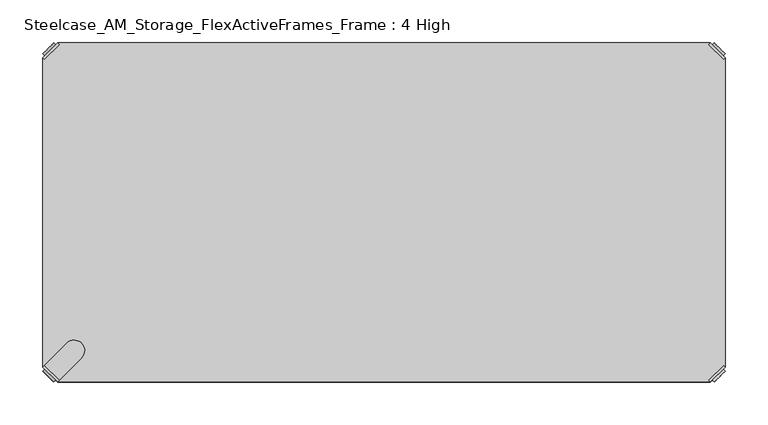
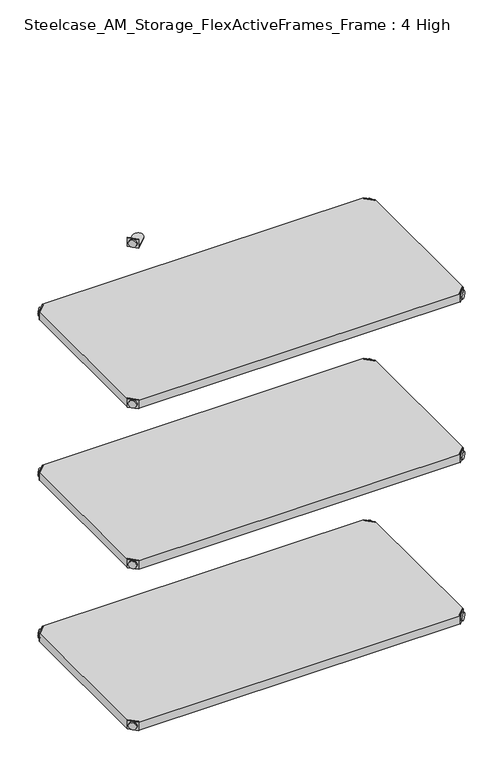
"""IFC4 building model written with IfcOpenShell, lengths in millimetres: furniture geometry, Steelcase_AM_Storage_FlexActiveFrames_Frame : 4 High."""

from ifc_helpers import new_model, si_unit, frame, origin, place, context, project, spatial, polyline, circle_curve, outline, extrude, source, transform, mapped, element, save
from ifc_brep_helpers import plane_surface, cylinder_surface, advanced_brep


def steelcase_am_storage_flexactiveframes_frame_4_high_68e53432(model_context):
    return source(origin(), model_context, "Body", "SolidModel", [
        advanced_brep(
        [(2.54, -380.2870969, 1324.61), (19.7629031, -397.51, 1324.61), (21.5589544, -395.7139488, 1324.61), (4.3360512, -378.4910456, 1324.61), (2.54, -380.2870969, 1303.274), (19.7629031, -397.51, 1303.274), (4.8652723, -382.6123691, 1314.45), (17.4376309, -395.1847277, 1314.45), (30.2920522, -352.5350447, 1304.29), (4.3360512, -378.4910456, 1304.29), (21.5589544, -395.7139488, 1304.29), (47.5149553, -369.7579478, 1304.29), (30.2920522, -352.5350447, 1303.274), (47.5149553, -369.7579478, 1303.274), (15.1227513, -397.4996073, 1314.45), (2.5503927, -384.9272487, 1314.45)],
        [
            (0, 1),
            (1, 2),
            (2, 3),
            (3, 0),
            (0, 4),
            (4, 5),
            (5, 1),
            (6, 7, circle_curve(frame((11.1514516, -388.8985484, 1314.45), z_axis=(0.7071067811865446, 0.7071067811865505, 0.0), x_axis=(-0.7071067811865505, 0.7071067811865446, 0.0)), 8.89)),
            (7, 6, circle_curve(frame((11.1514516, -388.8985484, 1314.45), z_axis=(0.7071067811865446, 0.7071067811865505, 0.0), x_axis=(-0.7071067811865505, 0.7071067811865446, 0.0)), 8.89)),
            (8, 9),
            (9, 10),
            (10, 11),
            (11, 8, circle_curve(frame((38.9035037, -361.1464963, 1304.29), z_axis=(0.0, 0.0, 1.0), x_axis=(1.0, 0.0, 0.0)), 12.1784316)),
            (12, 13, circle_curve(frame((38.9035037, -361.1464963, 1303.274), z_axis=(0.0, 0.0, -1.0), x_axis=(1.0, 0.0, 0.0)), 12.1784316)),
            (13, 5),
            (4, 12),
            (14, 15, circle_curve(frame((8.836572, -391.213428, 1314.45), z_axis=(-0.7071067811865446, -0.7071067811865505, 0.0), x_axis=(-0.7071067811865505, 0.7071067811865446, 0.0)), 8.89)),
            (15, 14, circle_curve(frame((8.836572, -391.213428, 1314.45), z_axis=(-0.7071067811865446, -0.7071067811865505, 0.0), x_axis=(-0.7071067811865505, 0.7071067811865446, 0.0)), 8.89)),
            (15, 6),
            (7, 14),
            (2, 10),
            (9, 3),
            (11, 13),
            (12, 8),
        ],
        [
            plane_surface(frame((-19.6579872, -402.485084, 1324.61), z_axis=(0.0, 0.0, 1.0000000000000002), x_axis=(0.7071067811865436, 0.7071067811865516, 0.0))),
            plane_surface(frame((19.7629031, -397.51, 1324.61), z_axis=(-0.7071067811865447, -0.7071067811865503, 0.0), x_axis=(0.0, 0.0, -1.0))),
            plane_surface(frame((51.0819353, -361.1464963, 1304.29), z_axis=(0.0, 0.0, 1.0), x_axis=(0.0, -1.0, 0.0))),
            plane_surface(frame((51.0819353, -361.1464963, 1303.274), z_axis=(0.0, 0.0, -1.0), x_axis=(0.0, 1.0, 0.0))),
            plane_surface(frame((2.5503927, -384.9272487, 1314.45), z_axis=(-0.7071067811865446, -0.7071067811865505, 0.0), x_axis=(0.0, 0.0, 1.0))),
            cylinder_surface(frame((11.1514516, -388.8985484, 1314.45), z_axis=(-0.7071067811865446, -0.7071067811865505, 0.0), x_axis=(-0.7071067811865505, 0.7071067811865446, 0.0)), 8.89),
            plane_surface(frame((4.3360512, -378.4910456, 1324.61), z_axis=(0.7071067811865447, 0.7071067811865503, 0.0), x_axis=(0.0, 0.0, -1.0))),
            cylinder_surface(frame((38.9035037, -361.1464963, 1303.274), z_axis=(0.0, 0.0, 1.0), x_axis=(1.0, 0.0, 0.0)), 12.1784316),
            plane_surface(frame((2.54, -380.2870969, 1324.61), z_axis=(-0.7071067811865516, 0.7071067811865436, 0.0), x_axis=(0.0, 0.0, -1.0))),
            plane_surface(frame((21.5589544, -395.7139488, 1324.61), z_axis=(0.7071067811865513, -0.7071067811865437, 0.0), x_axis=(0.0, 0.0, -1.0))),
        ],
        [
            (0, [[1, 2, 3, 4]]),
            (1, [[5, 6, 7, -1], [8, 9]]),
            (2, [[10, 11, 12, 13]]),
            (3, [[14, 15, -6, 16]]),
            (4, [[17, 18]]),
            (5, [[19, -9, 20, -18]]),
            (5, [[-20, -8, -19, -17]]),
            (6, [[21, -11, 22, -3]]),
            (7, [[23, -14, 24, -13]]),
            (8, [[-22, -10, -24, -16, -5, -4]]),
            (9, [[-7, -15, -23, -12, -21, -2]]),
        ],
    ),
        advanced_brep(
        [(797.56, -380.2870969, 1324.61), (795.7639488, -378.4910456, 1324.61), (778.5410456, -395.7139488, 1324.61), (780.3370969, -397.51, 1324.61), (780.3370969, -397.51, 1303.274), (797.56, -380.2870969, 1303.274), (795.2347277, -382.6123691, 1314.45), (782.6623691, -395.1847277, 1314.45), (769.8079478, -352.5350447, 1304.29), (752.5850447, -369.7579478, 1304.29), (778.5410456, -395.7139488, 1304.29), (795.7639488, -378.4910456, 1304.29), (769.8079478, -352.5350447, 1303.274), (752.5850447, -369.7579478, 1303.274), (784.9772487, -397.4996073, 1314.45), (797.5496073, -384.9272487, 1314.45)],
        [
            (0, 1),
            (1, 2),
            (2, 3),
            (3, 0),
            (3, 4),
            (4, 5),
            (5, 0),
            (6, 7, circle_curve(frame((788.9485484, -388.8985484, 1314.45), z_axis=(-0.7071067811865446, 0.7071067811865505, 0.0), x_axis=(0.7071067811865505, 0.7071067811865446, 0.0)), 8.89)),
            (7, 6, circle_curve(frame((788.9485484, -388.8985484, 1314.45), z_axis=(-0.7071067811865446, 0.7071067811865505, 0.0), x_axis=(0.7071067811865505, 0.7071067811865446, 0.0)), 8.89)),
            (8, 9, circle_curve(frame((761.1964963, -361.1464963, 1304.29), z_axis=(0.0, 0.0, 1.0), x_axis=(-1.0, 0.0, 0.0)), 12.1784316)),
            (9, 10),
            (10, 11),
            (11, 8),
            (12, 5),
            (4, 13),
            (13, 12, circle_curve(frame((761.1964963, -361.1464963, 1303.274), z_axis=(0.0, 0.0, -1.0), x_axis=(-1.0, 0.0, 0.0)), 12.1784316)),
            (14, 15, circle_curve(frame((791.263428, -391.213428, 1314.45), z_axis=(0.7071067811865446, -0.7071067811865505, 0.0), x_axis=(0.7071067811865505, 0.7071067811865446, 0.0)), 8.89)),
            (15, 14, circle_curve(frame((791.263428, -391.213428, 1314.45), z_axis=(0.7071067811865446, -0.7071067811865505, 0.0), x_axis=(0.7071067811865505, 0.7071067811865446, 0.0)), 8.89)),
            (14, 7),
            (6, 15),
            (1, 11),
            (10, 2),
            (8, 12),
            (13, 9),
        ],
        [
            plane_surface(frame((819.7579872, -402.485084, 1324.61), z_axis=(0.0, 0.0, 1.0000000000000002), x_axis=(-0.7071067811865436, 0.7071067811865516, 0.0))),
            plane_surface(frame((780.3370969, -397.51, 1324.61), z_axis=(0.7071067811865447, -0.7071067811865503, 0.0), x_axis=(0.0, 0.0, -1.0))),
            plane_surface(frame((749.0180647, -361.1464963, 1304.29), z_axis=(0.0, 0.0, 1.0), x_axis=(0.0, -1.0, 0.0))),
            plane_surface(frame((749.0180647, -361.1464963, 1303.274), z_axis=(0.0, 0.0, -1.0), x_axis=(0.0, 1.0, 0.0))),
            plane_surface(frame((797.5496073, -384.9272487, 1314.45), z_axis=(0.7071067811865446, -0.7071067811865505, 0.0), x_axis=(0.0, 0.0, 1.0))),
            cylinder_surface(frame((788.9485484, -388.8985484, 1314.45), z_axis=(0.7071067811865446, -0.7071067811865505, 0.0), x_axis=(0.7071067811865505, 0.7071067811865446, 0.0)), 8.89),
            plane_surface(frame((795.7639488, -378.4910456, 1324.61), z_axis=(-0.7071067811865447, 0.7071067811865503, 0.0), x_axis=(0.0, 0.0, -1.0))),
            cylinder_surface(frame((761.1964963, -361.1464963, 1303.274), z_axis=(0.0, 0.0, 1.0), x_axis=(-1.0, 0.0, 0.0)), 12.1784316),
            plane_surface(frame((797.56, -380.2870969, 1324.61), z_axis=(0.7071067811865516, 0.7071067811865436, 0.0), x_axis=(0.0, 0.0, -1.0))),
            plane_surface(frame((778.5410456, -395.7139488, 1324.61), z_axis=(-0.7071067811865513, -0.7071067811865437, 0.0), x_axis=(0.0, 0.0, -1.0))),
        ],
        [
            (0, [[1, 2, 3, 4]]),
            (1, [[-4, 5, 6, 7], [8, 9]]),
            (2, [[10, 11, 12, 13]]),
            (3, [[14, -6, 15, 16]]),
            (4, [[17, 18]]),
            (5, [[-17, 19, -8, 20]]),
            (5, [[-18, -20, -9, -19]]),
            (6, [[-2, 21, -12, 22]]),
            (7, [[-10, 23, -16, 24]]),
            (8, [[-1, -7, -14, -23, -13, -21]]),
            (9, [[-3, -22, -11, -24, -15, -5]]),
        ],
    ),
        advanced_brep(
        [(797.56, -19.7629031, 1324.61), (780.3370969, -2.54, 1324.61), (778.5410456, -4.3360512, 1324.61), (795.7639488, -21.5589544, 1324.61), (797.56, -19.7629031, 1303.274), (780.3370969, -2.54, 1303.274), (795.2347277, -17.4376309, 1314.45), (782.6623691, -4.8652723, 1314.45), (769.8079478, -47.5149553, 1304.29), (795.7639488, -21.5589544, 1304.29), (778.5410456, -4.3360512, 1304.29), (752.5850447, -30.2920522, 1304.29), (769.8079478, -47.5149553, 1303.274), (752.5850447, -30.2920522, 1303.274), (784.9772487, -2.5503927, 1314.45), (797.5496073, -15.1227513, 1314.45)],
        [
            (0, 1),
            (1, 2),
            (2, 3),
            (3, 0),
            (0, 4),
            (4, 5),
            (5, 1),
            (6, 7, circle_curve(frame((788.9485484, -11.1514516, 1314.45), z_axis=(-0.7071067811865469, -0.7071067811865481, 0.0), x_axis=(0.7071067811865481, -0.7071067811865469, 0.0)), 8.89)),
            (7, 6, circle_curve(frame((788.9485484, -11.1514516, 1314.45), z_axis=(-0.7071067811865469, -0.7071067811865481, 0.0), x_axis=(0.7071067811865481, -0.7071067811865469, 0.0)), 8.89)),
            (8, 9),
            (9, 10),
            (10, 11),
            (11, 8, circle_curve(frame((761.1964963, -38.9035037, 1304.29), z_axis=(0.0, 0.0, 1.0), x_axis=(-1.0, 0.0, 0.0)), 12.1784316)),
            (12, 13, circle_curve(frame((761.1964963, -38.9035037, 1303.274), z_axis=(0.0, 0.0, -1.0), x_axis=(-1.0, 0.0, 0.0)), 12.1784316)),
            (13, 5),
            (4, 12),
            (14, 15, circle_curve(frame((791.263428, -8.836572, 1314.45), z_axis=(0.7071067811865469, 0.7071067811865481, 0.0), x_axis=(0.7071067811865481, -0.7071067811865469, 0.0)), 8.89)),
            (15, 14, circle_curve(frame((791.263428, -8.836572, 1314.45), z_axis=(0.7071067811865469, 0.7071067811865481, 0.0), x_axis=(0.7071067811865481, -0.7071067811865469, 0.0)), 8.89)),
            (15, 6),
            (7, 14),
            (2, 10),
            (9, 3),
            (11, 13),
            (12, 8),
        ],
        [
            plane_surface(frame((819.7579872, 2.435084, 1324.61), z_axis=(0.0, 0.0, 1.0000000000000002), x_axis=(-0.7071067811865459, -0.7071067811865492, 0.0))),
            plane_surface(frame((780.3370969, -2.54, 1324.61), z_axis=(0.707106781186547, 0.707106781186548, 0.0), x_axis=(0.0, 0.0, -1.0))),
            plane_surface(frame((749.0180647, -38.9035037, 1304.29), z_axis=(0.0, 0.0, 1.0), x_axis=(0.0, 1.0, 0.0))),
            plane_surface(frame((749.0180647, -38.9035037, 1303.274), z_axis=(0.0, 0.0, -1.0), x_axis=(0.0, -1.0, 0.0))),
            plane_surface(frame((797.5496073, -15.1227513, 1314.45), z_axis=(0.7071067811865469, 0.7071067811865481, 0.0), x_axis=(0.0, 0.0, 1.0))),
            cylinder_surface(frame((788.9485484, -11.1514516, 1314.45), z_axis=(0.7071067811865469, 0.7071067811865481, 0.0), x_axis=(0.7071067811865481, -0.7071067811865469, 0.0)), 8.89),
            plane_surface(frame((795.7639488, -21.5589544, 1324.61), z_axis=(-0.707106781186547, -0.707106781186548, 0.0), x_axis=(0.0, 0.0, -1.0))),
            cylinder_surface(frame((761.1964963, -38.9035037, 1303.274), z_axis=(0.0, 0.0, 1.0), x_axis=(-1.0, 0.0, 0.0)), 12.1784316),
            plane_surface(frame((797.56, -19.7629031, 1324.61), z_axis=(0.7071067811865492, -0.7071067811865459, 0.0), x_axis=(0.0, 0.0, -1.0))),
            plane_surface(frame((778.5410456, -4.3360512, 1324.61), z_axis=(-0.707106781186549, 0.707106781186546, 0.0), x_axis=(0.0, 0.0, -1.0))),
        ],
        [
            (0, [[1, 2, 3, 4]]),
            (1, [[5, 6, 7, -1], [8, 9]]),
            (2, [[10, 11, 12, 13]]),
            (3, [[14, 15, -6, 16]]),
            (4, [[17, 18]]),
            (5, [[19, -9, 20, -18]]),
            (5, [[-20, -8, -19, -17]]),
            (6, [[21, -11, 22, -3]]),
            (7, [[23, -14, 24, -13]]),
            (8, [[-22, -10, -24, -16, -5, -4]]),
            (9, [[-7, -15, -23, -12, -21, -2]]),
        ],
    ),
        advanced_brep(
        [(2.54, -19.7629031, 1324.61), (4.3360512, -21.5589544, 1324.61), (21.5589544, -4.3360512, 1324.61), (19.7629031, -2.54, 1324.61), (19.7629031, -2.54, 1303.274), (2.54, -19.7629031, 1303.274), (4.8652723, -17.4376309, 1314.45), (17.4376309, -4.8652723, 1314.45), (30.2920522, -47.5149553, 1304.29), (47.5149553, -30.2920522, 1304.29), (21.5589544, -4.3360512, 1304.29), (4.3360512, -21.5589544, 1304.29), (30.2920522, -47.5149553, 1303.274), (47.5149553, -30.2920522, 1303.274), (15.1227513, -2.5503927, 1314.45), (2.5503927, -15.1227513, 1314.45)],
        [
            (0, 1),
            (1, 2),
            (2, 3),
            (3, 0),
            (3, 4),
            (4, 5),
            (5, 0),
            (6, 7, circle_curve(frame((11.1514516, -11.1514516, 1314.45), z_axis=(0.7071067811865469, -0.7071067811865481, 0.0), x_axis=(-0.7071067811865481, -0.7071067811865469, 0.0)), 8.89)),
            (7, 6, circle_curve(frame((11.1514516, -11.1514516, 1314.45), z_axis=(0.7071067811865469, -0.7071067811865481, 0.0), x_axis=(-0.7071067811865481, -0.7071067811865469, 0.0)), 8.89)),
            (8, 9, circle_curve(frame((38.9035037, -38.9035037, 1304.29), z_axis=(0.0, 0.0, 1.0), x_axis=(1.0, 0.0, 0.0)), 12.1784316)),
            (9, 10),
            (10, 11),
            (11, 8),
            (12, 5),
            (4, 13),
            (13, 12, circle_curve(frame((38.9035037, -38.9035037, 1303.274), z_axis=(0.0, 0.0, -1.0), x_axis=(1.0, 0.0, 0.0)), 12.1784316)),
            (14, 15, circle_curve(frame((8.836572, -8.836572, 1314.45), z_axis=(-0.7071067811865469, 0.7071067811865481, 0.0), x_axis=(-0.7071067811865481, -0.7071067811865469, 0.0)), 8.89)),
            (15, 14, circle_curve(frame((8.836572, -8.836572, 1314.45), z_axis=(-0.7071067811865469, 0.7071067811865481, 0.0), x_axis=(-0.7071067811865481, -0.7071067811865469, 0.0)), 8.89)),
            (14, 7),
            (6, 15),
            (1, 11),
            (10, 2),
            (8, 12),
            (13, 9),
        ],
        [
            plane_surface(frame((-19.6579872, 2.435084, 1324.61), z_axis=(0.0, 0.0, 1.0000000000000002), x_axis=(0.7071067811865459, -0.7071067811865492, 0.0))),
            plane_surface(frame((19.7629031, -2.54, 1324.61), z_axis=(-0.707106781186547, 0.707106781186548, 0.0), x_axis=(0.0, 0.0, -1.0))),
            plane_surface(frame((51.0819353, -38.9035037, 1304.29), z_axis=(0.0, 0.0, 1.0), x_axis=(0.0, 1.0, 0.0))),
            plane_surface(frame((51.0819353, -38.9035037, 1303.274), z_axis=(0.0, 0.0, -1.0), x_axis=(0.0, -1.0, 0.0))),
            plane_surface(frame((2.5503927, -15.1227513, 1314.45), z_axis=(-0.7071067811865469, 0.7071067811865481, 0.0), x_axis=(0.0, 0.0, 1.0))),
            cylinder_surface(frame((11.1514516, -11.1514516, 1314.45), z_axis=(-0.7071067811865469, 0.7071067811865481, 0.0), x_axis=(-0.7071067811865481, -0.7071067811865469, 0.0)), 8.89),
            plane_surface(frame((4.3360512, -21.5589544, 1324.61), z_axis=(0.707106781186547, -0.707106781186548, 0.0), x_axis=(0.0, 0.0, -1.0))),
            cylinder_surface(frame((38.9035037, -38.9035037, 1303.274), z_axis=(0.0, 0.0, 1.0), x_axis=(1.0, 0.0, 0.0)), 12.1784316),
            plane_surface(frame((2.54, -19.7629031, 1324.61), z_axis=(-0.7071067811865492, -0.7071067811865459, 0.0), x_axis=(0.0, 0.0, -1.0))),
            plane_surface(frame((21.5589544, -4.3360512, 1324.61), z_axis=(0.707106781186549, 0.707106781186546, 0.0), x_axis=(0.0, 0.0, -1.0))),
        ],
        [
            (0, [[1, 2, 3, 4]]),
            (1, [[-4, 5, 6, 7], [8, 9]]),
            (2, [[10, 11, 12, 13]]),
            (3, [[14, -6, 15, 16]]),
            (4, [[17, 18]]),
            (5, [[-17, 19, -8, 20]]),
            (5, [[-18, -20, -9, -19]]),
            (6, [[-2, 21, -12, 22]]),
            (7, [[-10, 23, -16, 24]]),
            (8, [[-1, -7, -14, -23, -13, -21]]),
            (9, [[-3, -22, -11, -24, -15, -5]]),
        ],
    ),
        extrude(outline(polyline([(19.7629031, -2.54), (780.3370969, -2.54), (778.5410456, -4.3360512), (795.7639488, -21.5589544), (797.56, -19.7629031), (797.56, -380.2870969), (795.7639488, -378.4910456), (778.5410456, -395.7139488), (780.3370969, -397.51), (19.7629031, -397.51), (21.5589544, -395.7139488), (4.3360512, -378.4910456), (2.54, -380.2870969), (2.54, -19.7629031), (4.3360512, -21.5589544), (21.5589544, -4.3360512), (19.7629031, -2.54)])), frame((0.0, 0.0, 1304.29), z_axis=(0.0, 0.0, 1.0), x_axis=(1.0, 0.0, 0.0)), (0.0, 0.0, 1.0), 20.32),
        advanced_brep(
        [(2.54, -380.2870969, 923.29), (19.7629031, -397.51, 923.29), (21.5589544, -395.7139488, 923.29), (4.3360512, -378.4910456, 923.29), (2.54, -380.2870969, 901.954), (19.7629031, -397.51, 901.954), (4.8652723, -382.6123691, 913.13), (17.4376309, -395.1847277, 913.13), (30.2920522, -352.5350447, 902.97), (4.3360512, -378.4910456, 902.97), (21.5589544, -395.7139488, 902.97), (47.5149553, -369.7579478, 902.97), (30.2920522, -352.5350447, 901.954), (47.5149553, -369.7579478, 901.954), (15.1227513, -397.4996073, 913.13), (2.5503927, -384.9272487, 913.13)],
        [
            (0, 1),
            (1, 2),
            (2, 3),
            (3, 0),
            (0, 4),
            (4, 5),
            (5, 1),
            (6, 7, circle_curve(frame((11.1514516, -388.8985484, 913.13), z_axis=(0.7071067811865446, 0.7071067811865505, 0.0), x_axis=(-0.7071067811865505, 0.7071067811865446, 0.0)), 8.89)),
            (7, 6, circle_curve(frame((11.1514516, -388.8985484, 913.13), z_axis=(0.7071067811865446, 0.7071067811865505, 0.0), x_axis=(-0.7071067811865505, 0.7071067811865446, 0.0)), 8.89)),
            (8, 9),
            (9, 10),
            (10, 11),
            (11, 8, circle_curve(frame((38.9035037, -361.1464963, 902.97), z_axis=(0.0, 0.0, 1.0), x_axis=(1.0, 0.0, 0.0)), 12.1784316)),
            (12, 13, circle_curve(frame((38.9035037, -361.1464963, 901.954), z_axis=(0.0, 0.0, -1.0), x_axis=(1.0, 0.0, 0.0)), 12.1784316)),
            (13, 5),
            (4, 12),
            (14, 15, circle_curve(frame((8.836572, -391.213428, 913.13), z_axis=(-0.7071067811865446, -0.7071067811865505, 0.0), x_axis=(-0.7071067811865505, 0.7071067811865446, 0.0)), 8.89)),
            (15, 14, circle_curve(frame((8.836572, -391.213428, 913.13), z_axis=(-0.7071067811865446, -0.7071067811865505, 0.0), x_axis=(-0.7071067811865505, 0.7071067811865446, 0.0)), 8.89)),
            (15, 6),
            (7, 14),
            (2, 10),
            (9, 3),
            (11, 13),
            (12, 8),
        ],
        [
            plane_surface(frame((-19.6579872, -402.485084, 923.29), z_axis=(0.0, 0.0, 1.0000000000000002), x_axis=(0.7071067811865436, 0.7071067811865516, 0.0))),
            plane_surface(frame((19.7629031, -397.51, 923.29), z_axis=(-0.7071067811865447, -0.7071067811865503, 0.0), x_axis=(0.0, 0.0, -1.0))),
            plane_surface(frame((51.0819353, -361.1464963, 902.97), z_axis=(0.0, 0.0, 1.0), x_axis=(0.0, -1.0, 0.0))),
            plane_surface(frame((51.0819353, -361.1464963, 901.954), z_axis=(0.0, 0.0, -1.0), x_axis=(0.0, 1.0, 0.0))),
            plane_surface(frame((2.5503927, -384.9272487, 913.13), z_axis=(-0.7071067811865446, -0.7071067811865505, 0.0), x_axis=(0.0, 0.0, 1.0))),
            cylinder_surface(frame((11.1514516, -388.8985484, 913.13), z_axis=(-0.7071067811865446, -0.7071067811865505, 0.0), x_axis=(-0.7071067811865505, 0.7071067811865446, 0.0)), 8.89),
            plane_surface(frame((4.3360512, -378.4910456, 923.29), z_axis=(0.7071067811865447, 0.7071067811865503, 0.0), x_axis=(0.0, 0.0, -1.0))),
            cylinder_surface(frame((38.9035037, -361.1464963, 901.954), z_axis=(0.0, 0.0, 1.0), x_axis=(1.0, 0.0, 0.0)), 12.1784316),
            plane_surface(frame((2.54, -380.2870969, 923.29), z_axis=(-0.7071067811865516, 0.7071067811865436, 0.0), x_axis=(0.0, 0.0, -1.0))),
            plane_surface(frame((21.5589544, -395.7139488, 923.29), z_axis=(0.7071067811865513, -0.7071067811865437, 0.0), x_axis=(0.0, 0.0, -1.0))),
        ],
        [
            (0, [[1, 2, 3, 4]]),
            (1, [[5, 6, 7, -1], [8, 9]]),
            (2, [[10, 11, 12, 13]]),
            (3, [[14, 15, -6, 16]]),
            (4, [[17, 18]]),
            (5, [[19, -9, 20, -18]]),
            (5, [[-20, -8, -19, -17]]),
            (6, [[21, -11, 22, -3]]),
            (7, [[23, -14, 24, -13]]),
            (8, [[-22, -10, -24, -16, -5, -4]]),
            (9, [[-7, -15, -23, -12, -21, -2]]),
        ],
    ),
        advanced_brep(
        [(797.56, -380.2870969, 923.29), (795.7639488, -378.4910456, 923.29), (778.5410456, -395.7139488, 923.29), (780.3370969, -397.51, 923.29), (780.3370969, -397.51, 901.954), (797.56, -380.2870969, 901.954), (795.2347277, -382.6123691, 913.13), (782.6623691, -395.1847277, 913.13), (769.8079478, -352.5350447, 902.97), (752.5850447, -369.7579478, 902.97), (778.5410456, -395.7139488, 902.97), (795.7639488, -378.4910456, 902.97), (769.8079478, -352.5350447, 901.954), (752.5850447, -369.7579478, 901.954), (784.9772487, -397.4996073, 913.13), (797.5496073, -384.9272487, 913.13)],
        [
            (0, 1),
            (1, 2),
            (2, 3),
            (3, 0),
            (3, 4),
            (4, 5),
            (5, 0),
            (6, 7, circle_curve(frame((788.9485484, -388.8985484, 913.13), z_axis=(-0.7071067811865446, 0.7071067811865505, 0.0), x_axis=(0.7071067811865505, 0.7071067811865446, 0.0)), 8.89)),
            (7, 6, circle_curve(frame((788.9485484, -388.8985484, 913.13), z_axis=(-0.7071067811865446, 0.7071067811865505, 0.0), x_axis=(0.7071067811865505, 0.7071067811865446, 0.0)), 8.89)),
            (8, 9, circle_curve(frame((761.1964963, -361.1464963, 902.97), z_axis=(0.0, 0.0, 1.0), x_axis=(-1.0, 0.0, 0.0)), 12.1784316)),
            (9, 10),
            (10, 11),
            (11, 8),
            (12, 5),
            (4, 13),
            (13, 12, circle_curve(frame((761.1964963, -361.1464963, 901.954), z_axis=(0.0, 0.0, -1.0), x_axis=(-1.0, 0.0, 0.0)), 12.1784316)),
            (14, 15, circle_curve(frame((791.263428, -391.213428, 913.13), z_axis=(0.7071067811865446, -0.7071067811865505, 0.0), x_axis=(0.7071067811865505, 0.7071067811865446, 0.0)), 8.89)),
            (15, 14, circle_curve(frame((791.263428, -391.213428, 913.13), z_axis=(0.7071067811865446, -0.7071067811865505, 0.0), x_axis=(0.7071067811865505, 0.7071067811865446, 0.0)), 8.89)),
            (14, 7),
            (6, 15),
            (1, 11),
            (10, 2),
            (8, 12),
            (13, 9),
        ],
        [
            plane_surface(frame((819.7579872, -402.485084, 923.29), z_axis=(0.0, 0.0, 1.0000000000000002), x_axis=(-0.7071067811865436, 0.7071067811865516, 0.0))),
            plane_surface(frame((780.3370969, -397.51, 923.29), z_axis=(0.7071067811865447, -0.7071067811865503, 0.0), x_axis=(0.0, 0.0, -1.0))),
            plane_surface(frame((749.0180647, -361.1464963, 902.97), z_axis=(0.0, 0.0, 1.0), x_axis=(0.0, -1.0, 0.0))),
            plane_surface(frame((749.0180647, -361.1464963, 901.954), z_axis=(0.0, 0.0, -1.0), x_axis=(0.0, 1.0, 0.0))),
            plane_surface(frame((797.5496073, -384.9272487, 913.13), z_axis=(0.7071067811865446, -0.7071067811865505, 0.0), x_axis=(0.0, 0.0, 1.0))),
            cylinder_surface(frame((788.9485484, -388.8985484, 913.13), z_axis=(0.7071067811865446, -0.7071067811865505, 0.0), x_axis=(0.7071067811865505, 0.7071067811865446, 0.0)), 8.89),
            plane_surface(frame((795.7639488, -378.4910456, 923.29), z_axis=(-0.7071067811865447, 0.7071067811865503, 0.0), x_axis=(0.0, 0.0, -1.0))),
            cylinder_surface(frame((761.1964963, -361.1464963, 901.954), z_axis=(0.0, 0.0, 1.0), x_axis=(-1.0, 0.0, 0.0)), 12.1784316),
            plane_surface(frame((797.56, -380.2870969, 923.29), z_axis=(0.7071067811865516, 0.7071067811865436, 0.0), x_axis=(0.0, 0.0, -1.0))),
            plane_surface(frame((778.5410456, -395.7139488, 923.29), z_axis=(-0.7071067811865513, -0.7071067811865437, 0.0), x_axis=(0.0, 0.0, -1.0))),
        ],
        [
            (0, [[1, 2, 3, 4]]),
            (1, [[-4, 5, 6, 7], [8, 9]]),
            (2, [[10, 11, 12, 13]]),
            (3, [[14, -6, 15, 16]]),
            (4, [[17, 18]]),
            (5, [[-17, 19, -8, 20]]),
            (5, [[-18, -20, -9, -19]]),
            (6, [[-2, 21, -12, 22]]),
            (7, [[-10, 23, -16, 24]]),
            (8, [[-1, -7, -14, -23, -13, -21]]),
            (9, [[-3, -22, -11, -24, -15, -5]]),
        ],
    ),
        advanced_brep(
        [(797.56, -19.7629031, 923.29), (780.3370969, -2.54, 923.29), (778.5410456, -4.3360512, 923.29), (795.7639488, -21.5589544, 923.29), (797.56, -19.7629031, 901.954), (780.3370969, -2.54, 901.954), (795.2347277, -17.4376309, 913.13), (782.6623691, -4.8652723, 913.13), (769.8079478, -47.5149553, 902.97), (795.7639488, -21.5589544, 902.97), (778.5410456, -4.3360512, 902.97), (752.5850447, -30.2920522, 902.97), (769.8079478, -47.5149553, 901.954), (752.5850447, -30.2920522, 901.954), (784.9772487, -2.5503927, 913.13), (797.5496073, -15.1227513, 913.13)],
        [
            (0, 1),
            (1, 2),
            (2, 3),
            (3, 0),
            (0, 4),
            (4, 5),
            (5, 1),
            (6, 7, circle_curve(frame((788.9485484, -11.1514516, 913.13), z_axis=(-0.7071067811865469, -0.7071067811865481, 0.0), x_axis=(0.7071067811865481, -0.7071067811865469, 0.0)), 8.89)),
            (7, 6, circle_curve(frame((788.9485484, -11.1514516, 913.13), z_axis=(-0.7071067811865469, -0.7071067811865481, 0.0), x_axis=(0.7071067811865481, -0.7071067811865469, 0.0)), 8.89)),
            (8, 9),
            (9, 10),
            (10, 11),
            (11, 8, circle_curve(frame((761.1964963, -38.9035037, 902.97), z_axis=(0.0, 0.0, 1.0), x_axis=(-1.0, 0.0, 0.0)), 12.1784316)),
            (12, 13, circle_curve(frame((761.1964963, -38.9035037, 901.954), z_axis=(0.0, 0.0, -1.0), x_axis=(-1.0, 0.0, 0.0)), 12.1784316)),
            (13, 5),
            (4, 12),
            (14, 15, circle_curve(frame((791.263428, -8.836572, 913.13), z_axis=(0.7071067811865469, 0.7071067811865481, 0.0), x_axis=(0.7071067811865481, -0.7071067811865469, 0.0)), 8.89)),
            (15, 14, circle_curve(frame((791.263428, -8.836572, 913.13), z_axis=(0.7071067811865469, 0.7071067811865481, 0.0), x_axis=(0.7071067811865481, -0.7071067811865469, 0.0)), 8.89)),
            (15, 6),
            (7, 14),
            (2, 10),
            (9, 3),
            (11, 13),
            (12, 8),
        ],
        [
            plane_surface(frame((819.7579872, 2.435084, 923.29), z_axis=(0.0, 0.0, 1.0000000000000002), x_axis=(-0.7071067811865459, -0.7071067811865492, 0.0))),
            plane_surface(frame((780.3370969, -2.54, 923.29), z_axis=(0.707106781186547, 0.707106781186548, 0.0), x_axis=(0.0, 0.0, -1.0))),
            plane_surface(frame((749.0180647, -38.9035037, 902.97), z_axis=(0.0, 0.0, 1.0), x_axis=(0.0, 1.0, 0.0))),
            plane_surface(frame((749.0180647, -38.9035037, 901.954), z_axis=(0.0, 0.0, -1.0), x_axis=(0.0, -1.0, 0.0))),
            plane_surface(frame((797.5496073, -15.1227513, 913.13), z_axis=(0.7071067811865469, 0.7071067811865481, 0.0), x_axis=(0.0, 0.0, 1.0))),
            cylinder_surface(frame((788.9485484, -11.1514516, 913.13), z_axis=(0.7071067811865469, 0.7071067811865481, 0.0), x_axis=(0.7071067811865481, -0.7071067811865469, 0.0)), 8.89),
            plane_surface(frame((795.7639488, -21.5589544, 923.29), z_axis=(-0.707106781186547, -0.707106781186548, 0.0), x_axis=(0.0, 0.0, -1.0))),
            cylinder_surface(frame((761.1964963, -38.9035037, 901.954), z_axis=(0.0, 0.0, 1.0), x_axis=(-1.0, 0.0, 0.0)), 12.1784316),
            plane_surface(frame((797.56, -19.7629031, 923.29), z_axis=(0.7071067811865492, -0.7071067811865459, 0.0), x_axis=(0.0, 0.0, -1.0))),
            plane_surface(frame((778.5410456, -4.3360512, 923.29), z_axis=(-0.707106781186549, 0.707106781186546, 0.0), x_axis=(0.0, 0.0, -1.0))),
        ],
        [
            (0, [[1, 2, 3, 4]]),
            (1, [[5, 6, 7, -1], [8, 9]]),
            (2, [[10, 11, 12, 13]]),
            (3, [[14, 15, -6, 16]]),
            (4, [[17, 18]]),
            (5, [[19, -9, 20, -18]]),
            (5, [[-20, -8, -19, -17]]),
            (6, [[21, -11, 22, -3]]),
            (7, [[23, -14, 24, -13]]),
            (8, [[-22, -10, -24, -16, -5, -4]]),
            (9, [[-7, -15, -23, -12, -21, -2]]),
        ],
    ),
        advanced_brep(
        [(2.54, -19.7629031, 923.29), (4.3360512, -21.5589544, 923.29), (21.5589544, -4.3360512, 923.29), (19.7629031, -2.54, 923.29), (19.7629031, -2.54, 901.954), (2.54, -19.7629031, 901.954), (4.8652723, -17.4376309, 913.13), (17.4376309, -4.8652723, 913.13), (30.2920522, -47.5149553, 902.97), (47.5149553, -30.2920522, 902.97), (21.5589544, -4.3360512, 902.97), (4.3360512, -21.5589544, 902.97), (30.2920522, -47.5149553, 901.954), (47.5149553, -30.2920522, 901.954), (15.1227513, -2.5503927, 913.13), (2.5503927, -15.1227513, 913.13)],
        [
            (0, 1),
            (1, 2),
            (2, 3),
            (3, 0),
            (3, 4),
            (4, 5),
            (5, 0),
            (6, 7, circle_curve(frame((11.1514516, -11.1514516, 913.13), z_axis=(0.7071067811865469, -0.7071067811865481, 0.0), x_axis=(-0.7071067811865481, -0.7071067811865469, 0.0)), 8.89)),
            (7, 6, circle_curve(frame((11.1514516, -11.1514516, 913.13), z_axis=(0.7071067811865469, -0.7071067811865481, 0.0), x_axis=(-0.7071067811865481, -0.7071067811865469, 0.0)), 8.89)),
            (8, 9, circle_curve(frame((38.9035037, -38.9035037, 902.97), z_axis=(0.0, 0.0, 1.0), x_axis=(1.0, 0.0, 0.0)), 12.1784316)),
            (9, 10),
            (10, 11),
            (11, 8),
            (12, 5),
            (4, 13),
            (13, 12, circle_curve(frame((38.9035037, -38.9035037, 901.954), z_axis=(0.0, 0.0, -1.0), x_axis=(1.0, 0.0, 0.0)), 12.1784316)),
            (14, 15, circle_curve(frame((8.836572, -8.836572, 913.13), z_axis=(-0.7071067811865469, 0.7071067811865481, 0.0), x_axis=(-0.7071067811865481, -0.7071067811865469, 0.0)), 8.89)),
            (15, 14, circle_curve(frame((8.836572, -8.836572, 913.13), z_axis=(-0.7071067811865469, 0.7071067811865481, 0.0), x_axis=(-0.7071067811865481, -0.7071067811865469, 0.0)), 8.89)),
            (14, 7),
            (6, 15),
            (1, 11),
            (10, 2),
            (8, 12),
            (13, 9),
        ],
        [
            plane_surface(frame((-19.6579872, 2.435084, 923.29), z_axis=(0.0, 0.0, 1.0000000000000002), x_axis=(0.7071067811865459, -0.7071067811865492, 0.0))),
            plane_surface(frame((19.7629031, -2.54, 923.29), z_axis=(-0.707106781186547, 0.707106781186548, 0.0), x_axis=(0.0, 0.0, -1.0))),
            plane_surface(frame((51.0819353, -38.9035037, 902.97), z_axis=(0.0, 0.0, 1.0), x_axis=(0.0, 1.0, 0.0))),
            plane_surface(frame((51.0819353, -38.9035037, 901.954), z_axis=(0.0, 0.0, -1.0), x_axis=(0.0, -1.0, 0.0))),
            plane_surface(frame((2.5503927, -15.1227513, 913.13), z_axis=(-0.7071067811865469, 0.7071067811865481, 0.0), x_axis=(0.0, 0.0, 1.0))),
            cylinder_surface(frame((11.1514516, -11.1514516, 913.13), z_axis=(-0.7071067811865469, 0.7071067811865481, 0.0), x_axis=(-0.7071067811865481, -0.7071067811865469, 0.0)), 8.89),
            plane_surface(frame((4.3360512, -21.5589544, 923.29), z_axis=(0.707106781186547, -0.707106781186548, 0.0), x_axis=(0.0, 0.0, -1.0))),
            cylinder_surface(frame((38.9035037, -38.9035037, 901.954), z_axis=(0.0, 0.0, 1.0), x_axis=(1.0, 0.0, 0.0)), 12.1784316),
            plane_surface(frame((2.54, -19.7629031, 923.29), z_axis=(-0.7071067811865492, -0.7071067811865459, 0.0), x_axis=(0.0, 0.0, -1.0))),
            plane_surface(frame((21.5589544, -4.3360512, 923.29), z_axis=(0.707106781186549, 0.707106781186546, 0.0), x_axis=(0.0, 0.0, -1.0))),
        ],
        [
            (0, [[1, 2, 3, 4]]),
            (1, [[-4, 5, 6, 7], [8, 9]]),
            (2, [[10, 11, 12, 13]]),
            (3, [[14, -6, 15, 16]]),
            (4, [[17, 18]]),
            (5, [[-17, 19, -8, 20]]),
            (5, [[-18, -20, -9, -19]]),
            (6, [[-2, 21, -12, 22]]),
            (7, [[-10, 23, -16, 24]]),
            (8, [[-1, -7, -14, -23, -13, -21]]),
            (9, [[-3, -22, -11, -24, -15, -5]]),
        ],
    ),
        extrude(outline(polyline([(19.7629031, -2.54), (780.3370969, -2.54), (778.5410456, -4.3360512), (795.7639488, -21.5589544), (797.56, -19.7629031), (797.56, -380.2870969), (795.7639488, -378.4910456), (778.5410456, -395.7139488), (780.3370969, -397.51), (19.7629031, -397.51), (21.5589544, -395.7139488), (4.3360512, -378.4910456), (2.54, -380.2870969), (2.54, -19.7629031), (4.3360512, -21.5589544), (21.5589544, -4.3360512), (19.7629031, -2.54)])), frame((0.0, 0.0, 902.97), z_axis=(0.0, 0.0, 1.0), x_axis=(1.0, 0.0, 0.0)), (0.0, 0.0, 1.0), 20.32),
        advanced_brep(
        [(2.54, -380.2870969, 520.2936), (19.7629031, -397.51, 520.2936), (21.5589544, -395.7139488, 520.2936), (4.3360512, -378.4910456, 520.2936), (2.54, -380.2870969, 498.9576), (19.7629031, -397.51, 498.9576), (4.8652723, -382.6123691, 510.1336), (17.4376309, -395.1847277, 510.1336), (30.2920522, -352.5350447, 499.9736), (4.3360512, -378.4910456, 499.9736), (21.5589544, -395.7139488, 499.9736), (47.5149553, -369.7579478, 499.9736), (30.2920522, -352.5350447, 498.9576), (47.5149553, -369.7579478, 498.9576), (15.1227513, -397.4996073, 510.1336), (2.5503927, -384.9272487, 510.1336)],
        [
            (0, 1),
            (1, 2),
            (2, 3),
            (3, 0),
            (0, 4),
            (4, 5),
            (5, 1),
            (6, 7, circle_curve(frame((11.1514516, -388.8985484, 510.1336), z_axis=(0.7071067811865446, 0.7071067811865505, 0.0), x_axis=(-0.7071067811865505, 0.7071067811865446, 0.0)), 8.89)),
            (7, 6, circle_curve(frame((11.1514516, -388.8985484, 510.1336), z_axis=(0.7071067811865446, 0.7071067811865505, 0.0), x_axis=(-0.7071067811865505, 0.7071067811865446, 0.0)), 8.89)),
            (8, 9),
            (9, 10),
            (10, 11),
            (11, 8, circle_curve(frame((38.9035037, -361.1464963, 499.9736), z_axis=(0.0, 0.0, 1.0), x_axis=(1.0, 0.0, 0.0)), 12.1784316)),
            (12, 13, circle_curve(frame((38.9035037, -361.1464963, 498.9576), z_axis=(0.0, 0.0, -1.0), x_axis=(1.0, 0.0, 0.0)), 12.1784316)),
            (13, 5),
            (4, 12),
            (14, 15, circle_curve(frame((8.836572, -391.213428, 510.1336), z_axis=(-0.7071067811865446, -0.7071067811865505, 0.0), x_axis=(-0.7071067811865505, 0.7071067811865446, 0.0)), 8.89)),
            (15, 14, circle_curve(frame((8.836572, -391.213428, 510.1336), z_axis=(-0.7071067811865446, -0.7071067811865505, 0.0), x_axis=(-0.7071067811865505, 0.7071067811865446, 0.0)), 8.89)),
            (15, 6),
            (7, 14),
            (2, 10),
            (9, 3),
            (11, 13),
            (12, 8),
        ],
        [
            plane_surface(frame((-19.6579872, -402.485084, 520.2936), z_axis=(0.0, 0.0, 1.0000000000000002), x_axis=(0.7071067811865436, 0.7071067811865516, 0.0))),
            plane_surface(frame((19.7629031, -397.51, 520.2936), z_axis=(-0.7071067811865447, -0.7071067811865503, 0.0), x_axis=(0.0, 0.0, -1.0))),
            plane_surface(frame((51.0819353, -361.1464963, 499.9736), z_axis=(0.0, 0.0, 1.0), x_axis=(0.0, -1.0, 0.0))),
            plane_surface(frame((51.0819353, -361.1464963, 498.9576), z_axis=(0.0, 0.0, -1.0), x_axis=(0.0, 1.0, 0.0))),
            plane_surface(frame((2.5503927, -384.9272487, 510.1336), z_axis=(-0.7071067811865446, -0.7071067811865505, 0.0), x_axis=(0.0, 0.0, 1.0))),
            cylinder_surface(frame((11.1514516, -388.8985484, 510.1336), z_axis=(-0.7071067811865446, -0.7071067811865505, 0.0), x_axis=(-0.7071067811865505, 0.7071067811865446, 0.0)), 8.89),
            plane_surface(frame((4.3360512, -378.4910456, 520.2936), z_axis=(0.7071067811865447, 0.7071067811865503, 0.0), x_axis=(0.0, 0.0, -1.0))),
            cylinder_surface(frame((38.9035037, -361.1464963, 498.9576), z_axis=(0.0, 0.0, 1.0), x_axis=(1.0, 0.0, 0.0)), 12.1784316),
            plane_surface(frame((2.54, -380.2870969, 520.2936), z_axis=(-0.7071067811865516, 0.7071067811865436, 0.0), x_axis=(0.0, 0.0, -1.0))),
            plane_surface(frame((21.5589544, -395.7139488, 520.2936), z_axis=(0.7071067811865513, -0.7071067811865437, 0.0), x_axis=(0.0, 0.0, -1.0))),
        ],
        [
            (0, [[1, 2, 3, 4]]),
            (1, [[5, 6, 7, -1], [8, 9]]),
            (2, [[10, 11, 12, 13]]),
            (3, [[14, 15, -6, 16]]),
            (4, [[17, 18]]),
            (5, [[19, -9, 20, -18]]),
            (5, [[-20, -8, -19, -17]]),
            (6, [[21, -11, 22, -3]]),
            (7, [[23, -14, 24, -13]]),
            (8, [[-22, -10, -24, -16, -5, -4]]),
            (9, [[-7, -15, -23, -12, -21, -2]]),
        ],
    ),
        advanced_brep(
        [(797.56, -380.2870969, 520.2936), (795.7639488, -378.4910456, 520.2936), (778.5410456, -395.7139488, 520.2936), (780.3370969, -397.51, 520.2936), (780.3370969, -397.51, 498.9576), (797.56, -380.2870969, 498.9576), (795.2347277, -382.6123691, 510.1336), (782.6623691, -395.1847277, 510.1336), (769.8079478, -352.5350447, 499.9736), (752.5850447, -369.7579478, 499.9736), (778.5410456, -395.7139488, 499.9736), (795.7639488, -378.4910456, 499.9736), (769.8079478, -352.5350447, 498.9576), (752.5850447, -369.7579478, 498.9576), (784.9772487, -397.4996073, 510.1336), (797.5496073, -384.9272487, 510.1336)],
        [
            (0, 1),
            (1, 2),
            (2, 3),
            (3, 0),
            (3, 4),
            (4, 5),
            (5, 0),
            (6, 7, circle_curve(frame((788.9485484, -388.8985484, 510.1336), z_axis=(-0.7071067811865446, 0.7071067811865505, 0.0), x_axis=(0.7071067811865505, 0.7071067811865446, 0.0)), 8.89)),
            (7, 6, circle_curve(frame((788.9485484, -388.8985484, 510.1336), z_axis=(-0.7071067811865446, 0.7071067811865505, 0.0), x_axis=(0.7071067811865505, 0.7071067811865446, 0.0)), 8.89)),
            (8, 9, circle_curve(frame((761.1964963, -361.1464963, 499.9736), z_axis=(0.0, 0.0, 1.0), x_axis=(-1.0, 0.0, 0.0)), 12.1784316)),
            (9, 10),
            (10, 11),
            (11, 8),
            (12, 5),
            (4, 13),
            (13, 12, circle_curve(frame((761.1964963, -361.1464963, 498.9576), z_axis=(0.0, 0.0, -1.0), x_axis=(-1.0, 0.0, 0.0)), 12.1784316)),
            (14, 15, circle_curve(frame((791.263428, -391.213428, 510.1336), z_axis=(0.7071067811865446, -0.7071067811865505, 0.0), x_axis=(0.7071067811865505, 0.7071067811865446, 0.0)), 8.89)),
            (15, 14, circle_curve(frame((791.263428, -391.213428, 510.1336), z_axis=(0.7071067811865446, -0.7071067811865505, 0.0), x_axis=(0.7071067811865505, 0.7071067811865446, 0.0)), 8.89)),
            (14, 7),
            (6, 15),
            (1, 11),
            (10, 2),
            (8, 12),
            (13, 9),
        ],
        [
            plane_surface(frame((819.7579872, -402.485084, 520.2936), z_axis=(0.0, 0.0, 1.0000000000000002), x_axis=(-0.7071067811865436, 0.7071067811865516, 0.0))),
            plane_surface(frame((780.3370969, -397.51, 520.2936), z_axis=(0.7071067811865447, -0.7071067811865503, 0.0), x_axis=(0.0, 0.0, -1.0))),
            plane_surface(frame((749.0180647, -361.1464963, 499.9736), z_axis=(0.0, 0.0, 1.0), x_axis=(0.0, -1.0, 0.0))),
            plane_surface(frame((749.0180647, -361.1464963, 498.9576), z_axis=(0.0, 0.0, -1.0), x_axis=(0.0, 1.0, 0.0))),
            plane_surface(frame((797.5496073, -384.9272487, 510.1336), z_axis=(0.7071067811865446, -0.7071067811865505, 0.0), x_axis=(0.0, 0.0, 1.0))),
            cylinder_surface(frame((788.9485484, -388.8985484, 510.1336), z_axis=(0.7071067811865446, -0.7071067811865505, 0.0), x_axis=(0.7071067811865505, 0.7071067811865446, 0.0)), 8.89),
            plane_surface(frame((795.7639488, -378.4910456, 520.2936), z_axis=(-0.7071067811865447, 0.7071067811865503, 0.0), x_axis=(0.0, 0.0, -1.0))),
            cylinder_surface(frame((761.1964963, -361.1464963, 498.9576), z_axis=(0.0, 0.0, 1.0), x_axis=(-1.0, 0.0, 0.0)), 12.1784316),
            plane_surface(frame((797.56, -380.2870969, 520.2936), z_axis=(0.7071067811865516, 0.7071067811865436, 0.0), x_axis=(0.0, 0.0, -1.0))),
            plane_surface(frame((778.5410456, -395.7139488, 520.2936), z_axis=(-0.7071067811865513, -0.7071067811865437, 0.0), x_axis=(0.0, 0.0, -1.0))),
        ],
        [
            (0, [[1, 2, 3, 4]]),
            (1, [[-4, 5, 6, 7], [8, 9]]),
            (2, [[10, 11, 12, 13]]),
            (3, [[14, -6, 15, 16]]),
            (4, [[17, 18]]),
            (5, [[-17, 19, -8, 20]]),
            (5, [[-18, -20, -9, -19]]),
            (6, [[-2, 21, -12, 22]]),
            (7, [[-10, 23, -16, 24]]),
            (8, [[-1, -7, -14, -23, -13, -21]]),
            (9, [[-3, -22, -11, -24, -15, -5]]),
        ],
    ),
        advanced_brep(
        [(797.56, -19.7629031, 520.2936), (780.3370969, -2.54, 520.2936), (778.5410456, -4.3360512, 520.2936), (795.7639488, -21.5589544, 520.2936), (797.56, -19.7629031, 498.9576), (780.3370969, -2.54, 498.9576), (795.2347277, -17.4376309, 510.1336), (782.6623691, -4.8652723, 510.1336), (769.8079478, -47.5149553, 499.9736), (795.7639488, -21.5589544, 499.9736), (778.5410456, -4.3360512, 499.9736), (752.5850447, -30.2920522, 499.9736), (769.8079478, -47.5149553, 498.9576), (752.5850447, -30.2920522, 498.9576), (784.9772487, -2.5503927, 510.1336), (797.5496073, -15.1227513, 510.1336)],
        [
            (0, 1),
            (1, 2),
            (2, 3),
            (3, 0),
            (0, 4),
            (4, 5),
            (5, 1),
            (6, 7, circle_curve(frame((788.9485484, -11.1514516, 510.1336), z_axis=(-0.7071067811865469, -0.7071067811865481, 0.0), x_axis=(0.7071067811865481, -0.7071067811865469, 0.0)), 8.89)),
            (7, 6, circle_curve(frame((788.9485484, -11.1514516, 510.1336), z_axis=(-0.7071067811865469, -0.7071067811865481, 0.0), x_axis=(0.7071067811865481, -0.7071067811865469, 0.0)), 8.89)),
            (8, 9),
            (9, 10),
            (10, 11),
            (11, 8, circle_curve(frame((761.1964963, -38.9035037, 499.9736), z_axis=(0.0, 0.0, 1.0), x_axis=(-1.0, 0.0, 0.0)), 12.1784316)),
            (12, 13, circle_curve(frame((761.1964963, -38.9035037, 498.9576), z_axis=(0.0, 0.0, -1.0), x_axis=(-1.0, 0.0, 0.0)), 12.1784316)),
            (13, 5),
            (4, 12),
            (14, 15, circle_curve(frame((791.263428, -8.836572, 510.1336), z_axis=(0.7071067811865469, 0.7071067811865481, 0.0), x_axis=(0.7071067811865481, -0.7071067811865469, 0.0)), 8.89)),
            (15, 14, circle_curve(frame((791.263428, -8.836572, 510.1336), z_axis=(0.7071067811865469, 0.7071067811865481, 0.0), x_axis=(0.7071067811865481, -0.7071067811865469, 0.0)), 8.89)),
            (15, 6),
            (7, 14),
            (2, 10),
            (9, 3),
            (11, 13),
            (12, 8),
        ],
        [
            plane_surface(frame((819.7579872, 2.435084, 520.2936), z_axis=(0.0, 0.0, 1.0000000000000002), x_axis=(-0.7071067811865459, -0.7071067811865492, 0.0))),
            plane_surface(frame((780.3370969, -2.54, 520.2936), z_axis=(0.707106781186547, 0.707106781186548, 0.0), x_axis=(0.0, 0.0, -1.0))),
            plane_surface(frame((749.0180647, -38.9035037, 499.9736), z_axis=(0.0, 0.0, 1.0), x_axis=(0.0, 1.0, 0.0))),
            plane_surface(frame((749.0180647, -38.9035037, 498.9576), z_axis=(0.0, 0.0, -1.0), x_axis=(0.0, -1.0, 0.0))),
            plane_surface(frame((797.5496073, -15.1227513, 510.1336), z_axis=(0.7071067811865469, 0.7071067811865481, 0.0), x_axis=(0.0, 0.0, 1.0))),
            cylinder_surface(frame((788.9485484, -11.1514516, 510.1336), z_axis=(0.7071067811865469, 0.7071067811865481, 0.0), x_axis=(0.7071067811865481, -0.7071067811865469, 0.0)), 8.89),
            plane_surface(frame((795.7639488, -21.5589544, 520.2936), z_axis=(-0.707106781186547, -0.707106781186548, 0.0), x_axis=(0.0, 0.0, -1.0))),
            cylinder_surface(frame((761.1964963, -38.9035037, 498.9576), z_axis=(0.0, 0.0, 1.0), x_axis=(-1.0, 0.0, 0.0)), 12.1784316),
            plane_surface(frame((797.56, -19.7629031, 520.2936), z_axis=(0.7071067811865492, -0.7071067811865459, 0.0), x_axis=(0.0, 0.0, -1.0))),
            plane_surface(frame((778.5410456, -4.3360512, 520.2936), z_axis=(-0.707106781186549, 0.707106781186546, 0.0), x_axis=(0.0, 0.0, -1.0))),
        ],
        [
            (0, [[1, 2, 3, 4]]),
            (1, [[5, 6, 7, -1], [8, 9]]),
            (2, [[10, 11, 12, 13]]),
            (3, [[14, 15, -6, 16]]),
            (4, [[17, 18]]),
            (5, [[19, -9, 20, -18]]),
            (5, [[-20, -8, -19, -17]]),
            (6, [[21, -11, 22, -3]]),
            (7, [[23, -14, 24, -13]]),
            (8, [[-22, -10, -24, -16, -5, -4]]),
            (9, [[-7, -15, -23, -12, -21, -2]]),
        ],
    ),
        advanced_brep(
        [(2.54, -19.7629031, 520.2936), (4.3360512, -21.5589544, 520.2936), (21.5589544, -4.3360512, 520.2936), (19.7629031, -2.54, 520.2936), (19.7629031, -2.54, 498.9576), (2.54, -19.7629031, 498.9576), (4.8652723, -17.4376309, 510.1336), (17.4376309, -4.8652723, 510.1336), (30.2920522, -47.5149553, 499.9736), (47.5149553, -30.2920522, 499.9736), (21.5589544, -4.3360512, 499.9736), (4.3360512, -21.5589544, 499.9736), (30.2920522, -47.5149553, 498.9576), (47.5149553, -30.2920522, 498.9576), (15.1227513, -2.5503927, 510.1336), (2.5503927, -15.1227513, 510.1336)],
        [
            (0, 1),
            (1, 2),
            (2, 3),
            (3, 0),
            (3, 4),
            (4, 5),
            (5, 0),
            (6, 7, circle_curve(frame((11.1514516, -11.1514516, 510.1336), z_axis=(0.7071067811865469, -0.7071067811865481, 0.0), x_axis=(-0.7071067811865481, -0.7071067811865469, 0.0)), 8.89)),
            (7, 6, circle_curve(frame((11.1514516, -11.1514516, 510.1336), z_axis=(0.7071067811865469, -0.7071067811865481, 0.0), x_axis=(-0.7071067811865481, -0.7071067811865469, 0.0)), 8.89)),
            (8, 9, circle_curve(frame((38.9035037, -38.9035037, 499.9736), z_axis=(0.0, 0.0, 1.0), x_axis=(1.0, 0.0, 0.0)), 12.1784316)),
            (9, 10),
            (10, 11),
            (11, 8),
            (12, 5),
            (4, 13),
            (13, 12, circle_curve(frame((38.9035037, -38.9035037, 498.9576), z_axis=(0.0, 0.0, -1.0), x_axis=(1.0, 0.0, 0.0)), 12.1784316)),
            (14, 15, circle_curve(frame((8.836572, -8.836572, 510.1336), z_axis=(-0.7071067811865469, 0.7071067811865481, 0.0), x_axis=(-0.7071067811865481, -0.7071067811865469, 0.0)), 8.89)),
            (15, 14, circle_curve(frame((8.836572, -8.836572, 510.1336), z_axis=(-0.7071067811865469, 0.7071067811865481, 0.0), x_axis=(-0.7071067811865481, -0.7071067811865469, 0.0)), 8.89)),
            (14, 7),
            (6, 15),
            (1, 11),
            (10, 2),
            (8, 12),
            (13, 9),
        ],
        [
            plane_surface(frame((-19.6579872, 2.435084, 520.2936), z_axis=(0.0, 0.0, 1.0000000000000002), x_axis=(0.7071067811865459, -0.7071067811865492, 0.0))),
            plane_surface(frame((19.7629031, -2.54, 520.2936), z_axis=(-0.707106781186547, 0.707106781186548, 0.0), x_axis=(0.0, 0.0, -1.0))),
            plane_surface(frame((51.0819353, -38.9035037, 499.9736), z_axis=(0.0, 0.0, 1.0), x_axis=(0.0, 1.0, 0.0))),
            plane_surface(frame((51.0819353, -38.9035037, 498.9576), z_axis=(0.0, 0.0, -1.0), x_axis=(0.0, -1.0, 0.0))),
            plane_surface(frame((2.5503927, -15.1227513, 510.1336), z_axis=(-0.7071067811865469, 0.7071067811865481, 0.0), x_axis=(0.0, 0.0, 1.0))),
            cylinder_surface(frame((11.1514516, -11.1514516, 510.1336), z_axis=(-0.7071067811865469, 0.7071067811865481, 0.0), x_axis=(-0.7071067811865481, -0.7071067811865469, 0.0)), 8.89),
            plane_surface(frame((4.3360512, -21.5589544, 520.2936), z_axis=(0.707106781186547, -0.707106781186548, 0.0), x_axis=(0.0, 0.0, -1.0))),
            cylinder_surface(frame((38.9035037, -38.9035037, 498.9576), z_axis=(0.0, 0.0, 1.0), x_axis=(1.0, 0.0, 0.0)), 12.1784316),
            plane_surface(frame((2.54, -19.7629031, 520.2936), z_axis=(-0.7071067811865492, -0.7071067811865459, 0.0), x_axis=(0.0, 0.0, -1.0))),
            plane_surface(frame((21.5589544, -4.3360512, 520.2936), z_axis=(0.707106781186549, 0.707106781186546, 0.0), x_axis=(0.0, 0.0, -1.0))),
        ],
        [
            (0, [[1, 2, 3, 4]]),
            (1, [[-4, 5, 6, 7], [8, 9]]),
            (2, [[10, 11, 12, 13]]),
            (3, [[14, -6, 15, 16]]),
            (4, [[17, 18]]),
            (5, [[-17, 19, -8, 20]]),
            (5, [[-18, -20, -9, -19]]),
            (6, [[-2, 21, -12, 22]]),
            (7, [[-10, 23, -16, 24]]),
            (8, [[-1, -7, -14, -23, -13, -21]]),
            (9, [[-3, -22, -11, -24, -15, -5]]),
        ],
    ),
        extrude(outline(polyline([(19.7629031, -2.54), (780.3370969, -2.54), (778.5410456, -4.3360512), (795.7639488, -21.5589544), (797.56, -19.7629031), (797.56, -380.2870969), (795.7639488, -378.4910456), (778.5410456, -395.7139488), (780.3370969, -397.51), (19.7629031, -397.51), (21.5589544, -395.7139488), (4.3360512, -378.4910456), (2.54, -380.2870969), (2.54, -19.7629031), (4.3360512, -21.5589544), (21.5589544, -4.3360512), (19.7629031, -2.54)])), frame((0.0, 0.0, 499.9736), z_axis=(0.0, 0.0, 1.0), x_axis=(1.0, 0.0, 0.0)), (0.0, 0.0, 1.0), 20.32),
        advanced_brep(
        [(2.54, -380.2870969, 1725.93), (19.7629031, -397.51, 1725.93), (21.5589544, -395.7139488, 1725.93), (4.3360512, -378.4910456, 1725.93), (2.54, -380.2870969, 1704.594), (19.7629031, -397.51, 1704.594), (4.8652723, -382.6123691, 1715.77), (17.4376309, -395.1847277, 1715.77), (30.2920522, -352.5350447, 1705.61), (4.3360512, -378.4910456, 1705.61), (21.5589544, -395.7139488, 1705.61), (47.5149553, -369.7579478, 1705.61), (30.2920522, -352.5350447, 1704.594), (47.5149553, -369.7579478, 1704.594), (15.1227513, -397.4996073, 1715.77), (2.5503927, -384.9272487, 1715.77)],
        [
            (0, 1),
            (1, 2),
            (2, 3),
            (3, 0),
            (0, 4),
            (4, 5),
            (5, 1),
            (6, 7, circle_curve(frame((11.1514516, -388.8985484, 1715.77), z_axis=(0.7071067811865446, 0.7071067811865505, 0.0), x_axis=(-0.7071067811865505, 0.7071067811865446, 0.0)), 8.89)),
            (7, 6, circle_curve(frame((11.1514516, -388.8985484, 1715.77), z_axis=(0.7071067811865446, 0.7071067811865505, 0.0), x_axis=(-0.7071067811865505, 0.7071067811865446, 0.0)), 8.89)),
            (8, 9),
            (9, 10),
            (10, 11),
            (11, 8, circle_curve(frame((38.9035037, -361.1464963, 1705.61), z_axis=(0.0, 0.0, 1.0), x_axis=(1.0, 0.0, 0.0)), 12.1784316)),
            (12, 13, circle_curve(frame((38.9035037, -361.1464963, 1704.594), z_axis=(0.0, 0.0, -1.0), x_axis=(1.0, 0.0, 0.0)), 12.1784316)),
            (13, 5),
            (4, 12),
            (14, 15, circle_curve(frame((8.836572, -391.213428, 1715.77), z_axis=(-0.7071067811865446, -0.7071067811865505, 0.0), x_axis=(-0.7071067811865505, 0.7071067811865446, 0.0)), 8.89)),
            (15, 14, circle_curve(frame((8.836572, -391.213428, 1715.77), z_axis=(-0.7071067811865446, -0.7071067811865505, 0.0), x_axis=(-0.7071067811865505, 0.7071067811865446, 0.0)), 8.89)),
            (15, 6),
            (7, 14),
            (2, 10),
            (9, 3),
            (11, 13),
            (12, 8),
        ],
        [
            plane_surface(frame((-19.6579872, -402.485084, 1725.93), z_axis=(0.0, 0.0, 1.0000000000000002), x_axis=(0.7071067811865436, 0.7071067811865516, 0.0))),
            plane_surface(frame((19.7629031, -397.51, 1725.93), z_axis=(-0.7071067811865447, -0.7071067811865503, 0.0), x_axis=(0.0, 0.0, -1.0))),
            plane_surface(frame((51.0819353, -361.1464963, 1705.61), z_axis=(0.0, 0.0, 1.0), x_axis=(0.0, -1.0, 0.0))),
            plane_surface(frame((51.0819353, -361.1464963, 1704.594), z_axis=(0.0, 0.0, -1.0), x_axis=(0.0, 1.0, 0.0))),
            plane_surface(frame((2.5503927, -384.9272487, 1715.77), z_axis=(-0.7071067811865446, -0.7071067811865505, 0.0), x_axis=(0.0, 0.0, 1.0))),
            cylinder_surface(frame((11.1514516, -388.8985484, 1715.77), z_axis=(-0.7071067811865446, -0.7071067811865505, 0.0), x_axis=(-0.7071067811865505, 0.7071067811865446, 0.0)), 8.89),
            plane_surface(frame((4.3360512, -378.4910456, 1725.93), z_axis=(0.7071067811865447, 0.7071067811865503, 0.0), x_axis=(0.0, 0.0, -1.0))),
            cylinder_surface(frame((38.9035037, -361.1464963, 1704.594), z_axis=(0.0, 0.0, 1.0), x_axis=(1.0, 0.0, 0.0)), 12.1784316),
            plane_surface(frame((2.54, -380.2870969, 1725.93), z_axis=(-0.7071067811865516, 0.7071067811865436, 0.0), x_axis=(0.0, 0.0, -1.0))),
            plane_surface(frame((21.5589544, -395.7139488, 1725.93), z_axis=(0.7071067811865513, -0.7071067811865437, 0.0), x_axis=(0.0, 0.0, -1.0))),
        ],
        [
            (0, [[1, 2, 3, 4]]),
            (1, [[5, 6, 7, -1], [8, 9]]),
            (2, [[10, 11, 12, 13]]),
            (3, [[14, 15, -6, 16]]),
            (4, [[17, 18]]),
            (5, [[19, -9, 20, -18]]),
            (5, [[-20, -8, -19, -17]]),
            (6, [[21, -11, 22, -3]]),
            (7, [[23, -14, 24, -13]]),
            (8, [[-22, -10, -24, -16, -5, -4]]),
            (9, [[-7, -15, -23, -12, -21, -2]]),
        ],
    ),
    ])


if __name__ == "__main__":
    model = new_model("IFC4")
    model_context = context("Model", 3, world=origin())
    ifc_project = project(units=[si_unit("LENGTHUNIT", "METRE", prefix="MILLI")], contexts=[model_context])
    site = spatial("IfcSite", under=ifc_project)
    building = spatial("IfcBuilding", under=site)
    placement = place(None, origin())
    steelcase_am_storage_flexactiveframes_frame_4_high_shape = steelcase_am_storage_flexactiveframes_frame_4_high_68e53432(model_context)
    element("IfcFurniture", 1, ObjectType="Steelcase_AM_Storage_FlexActiveFrames_Frame : 4 High", at=placement, inside=building, context=model_context, shape_type="MappedRepresentation", body=[
        mapped(steelcase_am_storage_flexactiveframes_frame_4_high_shape, transform((0.0, 0.0, 0.0), x_axis=(1.0, 0.0, 0.0), y_axis=(0.0, 1.0, 0.0), z_axis=(0.0, 0.0, 1.0))),
    ])
    save(model, "model.ifc")
